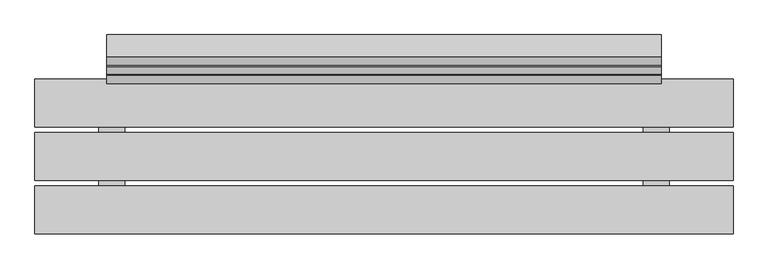
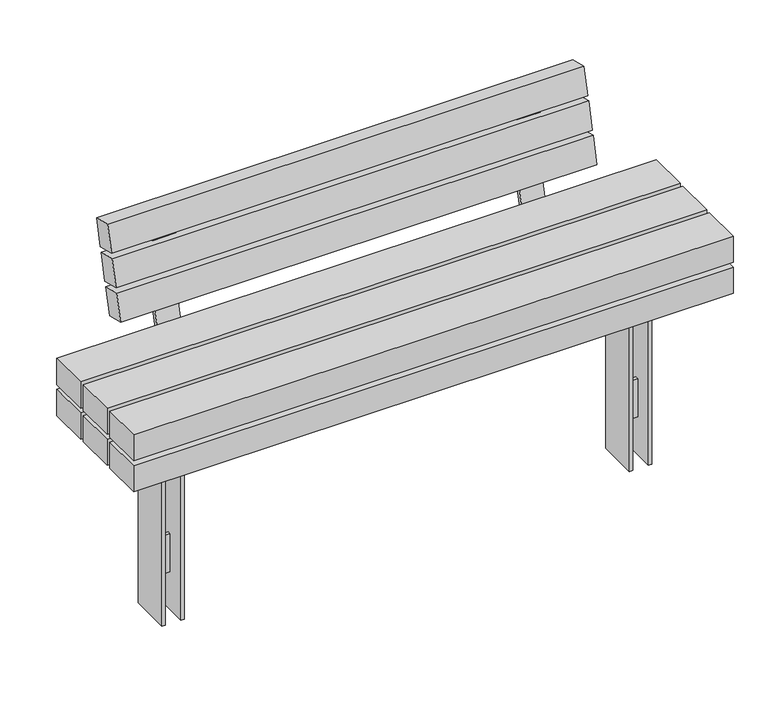
"""IFC4 building model written with IfcOpenShell, lengths in millimetres: furniture geometry."""

from ifc_helpers import new_model, si_unit, point, frame, frame_2d, origin, place, context, project, spatial, polyline, circle_curve, trimmed, segment, composite_curve, outline, extrude, faceted_brep, source, transform, mapped, element, save


def furniture_c60a7f9e(model_context):
    return source(origin(), model_context, "Body", "SolidModel", [
        faceted_brep([(-678.5975006, -5.0, -60.0), (-725.6380966, -5.0, -60.0), (-725.6380966, -5.0, -180.0), (-678.5975006, -5.0, -180.0), (-678.5975006, 5.0, -180.0), (-725.6380966, 5.0, -180.0), (-725.6380966, 5.0, -60.0), (-678.5975006, 5.0, -60.0), (-785.6380966, -61.5083224, 258.7167987), (-735.6380966, -61.5083224, 258.7167987), (-735.6380966, -61.5083224, -300.0), (-725.6380966, -61.5083224, -300.0), (-725.6380966, -61.5083224, 268.7167987), (-785.6380966, -61.5083224, 268.7167987), (-618.5975006, -61.5083224, 258.7167987), (-618.5975006, -61.5083224, 268.7167987), (-678.5975006, -61.5083224, 268.7167987), (-678.5975006, -61.5083224, -300.0), (-668.5975006, -61.5083224, -300.0), (-668.5975006, -61.5083224, 258.7167987), (-618.5975006, 61.5083654, 258.7167987), (-668.5975006, 61.5083654, 258.7167987), (-668.5975006, 61.5083654, -300.0), (-678.5975006, 61.5083654, -300.0), (-678.5975006, 61.5083654, 268.7167987), (-618.5975006, 61.5083654, 268.7167987), (-785.6380966, 61.5083654, 258.7167987), (-785.6380966, 61.5083654, 268.7167987), (-725.6380966, 61.5083654, 268.7167987), (-725.6380966, 61.5083654, -300.0), (-735.6380966, 61.5083654, -300.0), (-735.6380966, 61.5083654, 258.7167987)], [[[0, 1, 2, 3]], [[4, 5, 6, 7]], [[1, 0, 7, 6]], [[3, 2, 5, 4]], [[8, 9, 10, 11, 12, 13]], [[14, 15, 16, 17, 18, 19]], [[20, 21, 22, 23, 24, 25]], [[26, 27, 28, 29, 30, 31]], [[9, 8, 26, 31]], [[10, 9, 31, 30]], [[19, 18, 22, 21]], [[14, 19, 21, 20]], [[15, 14, 20, 25]], [[16, 15, 25, 24]], [[17, 16, 24, 23], [0, 3, 4, 7]], [[12, 11, 29, 28], [2, 1, 6, 5]], [[13, 12, 28, 27]], [[8, 13, 27, 26]], [[11, 10, 30, 29]], [[18, 17, 23, 22]]]),
        faceted_brep([(725.6380966, -5.0, -60.0), (678.5975006, -5.0, -60.0), (678.5975006, -5.0, -180.0), (725.6380966, -5.0, -180.0), (725.6380966, 5.0, -180.0), (678.5975006, 5.0, -180.0), (678.5975006, 5.0, -60.0), (725.6380966, 5.0, -60.0), (785.6380966, -61.5083224, 258.7167987), (785.6380966, -61.5083224, 268.7167987), (725.6380966, -61.5083224, 268.7167987), (725.6380966, -61.5083224, -300.0), (735.6380966, -61.5083224, -300.0), (735.6380966, -61.5083224, 258.7167987), (618.5975006, -61.5083224, 258.7167987), (668.5975006, -61.5083224, 258.7167987), (668.5975006, -61.5083224, -300.0), (678.5975006, -61.5083224, -300.0), (678.5975006, -61.5083224, 268.7167987), (618.5975006, -61.5083224, 268.7167987), (785.6380966, 61.5083654, 258.7167987), (735.6380966, 61.5083654, 258.7167987), (735.6380966, 61.5083654, -300.0), (725.6380966, 61.5083654, -300.0), (725.6380966, 61.5083654, 268.7167987), (785.6380966, 61.5083654, 268.7167987), (618.5975006, 61.5083654, 258.7167987), (618.5975006, 61.5083654, 268.7167987), (678.5975006, 61.5083654, 268.7167987), (678.5975006, 61.5083654, -300.0), (668.5975006, 61.5083654, -300.0), (668.5975006, 61.5083654, 258.7167987)], [[[0, 1, 2, 3]], [[4, 5, 6, 7]], [[1, 0, 7, 6]], [[3, 2, 5, 4]], [[8, 9, 10, 11, 12, 13]], [[14, 15, 16, 17, 18, 19]], [[20, 21, 22, 23, 24, 25]], [[26, 27, 28, 29, 30, 31]], [[9, 8, 20, 25]], [[10, 9, 25, 24]], [[11, 10, 24, 23], [0, 3, 4, 7]], [[12, 11, 23, 22]], [[13, 12, 22, 21]], [[8, 13, 21, 20]], [[15, 14, 26, 31]], [[16, 15, 31, 30]], [[17, 16, 30, 29]], [[18, 17, 29, 28], [2, 1, 6, 5]], [[19, 18, 28, 27]], [[14, 19, 27, 26]]]),
        extrude(outline(polyline([(351.8217453, 900.0000373), (351.8217453, -900.0), (268.7167987, -900.0), (268.7167987, 900.0000373), (351.8217453, 900.0000373)]), holes=[polyline([(339.8217453, -888.0), (339.8217453, 888.0), (280.7167987, 888.0), (280.7167987, -888.0), (339.8217453, -888.0)])]), frame((0.0, -61.5000218, 0.0), z_axis=(0.0, 1.0, 0.0), x_axis=(0.0, 0.0, 1.0)), (0.0, 0.0, 1.0), 123.0000435),
        extrude(outline(composite_curve([segment(polyline([(301.7676975, 665.0239384), (227.7235932, 368.0492568)]), True, "CONTINUOUS"), segment(trimmed(circle_curve(frame_2d((206.9533257, 373.2278661)), 21.4061208), [point((227.7235932, 368.0492568))], [point((206.9533257, 351.8217453))], False, "CARTESIAN"), True, "CONTINUOUS"), segment(polyline([(206.9533257, 351.8217453), (76.4999782, 351.8217453), (76.4999782, 366.8258682), (207.2227467, 366.8258682)]), True, "CONTINUOUS"), segment(trimmed(circle_curve(frame_2d((207.2227467, 376.8258682)), 10.0), [point((207.2227467, 366.8258682))], [point((216.925704, 374.4066493))], True, "CARTESIAN"), True, "CONTINUOUS"), segment(polyline([(216.925704, 374.4066493), (290.8352259, 670.8415506), (252.7658072, 680.3333227), (255.6688699, 691.9768714), (290.84209, 683.2072027)]), True, "CONTINUOUS"), segment(trimmed(circle_curve(frame_2d((287.2132616, 668.6527668)), 15.0), [point((290.84209, 683.2072027))], [point((301.7676975, 665.0239384))], False, "CARTESIAN"), True, "CONTINUOUS")], self_intersect=False)), frame((-582.1768452, 0.0, 0.0), z_axis=(1.0, 0.0, 0.0), x_axis=(0.0, 1.0, 0.0)), (0.0, 0.0, 1.0), 70.0),
        extrude(outline(composite_curve([segment(polyline([(301.7676975, 665.0239384), (227.7235932, 368.0492568)]), True, "CONTINUOUS"), segment(trimmed(circle_curve(frame_2d((206.9533257, 373.2278661)), 21.4061208), [point((227.7235932, 368.0492568))], [point((206.9533257, 351.8217453))], False, "CARTESIAN"), True, "CONTINUOUS"), segment(polyline([(206.9533257, 351.8217453), (76.4999782, 351.8217453), (76.4999782, 366.8258682), (207.2227467, 366.8258682)]), True, "CONTINUOUS"), segment(trimmed(circle_curve(frame_2d((207.2227467, 376.8258682)), 10.0), [point((207.2227467, 366.8258682))], [point((216.925704, 374.4066493))], True, "CARTESIAN"), True, "CONTINUOUS"), segment(polyline([(216.925704, 374.4066493), (290.8352259, 670.8415506), (252.7658072, 680.3333227), (255.6688699, 691.9768714), (290.84209, 683.2072027)]), True, "CONTINUOUS"), segment(trimmed(circle_curve(frame_2d((287.2132616, 668.6527668)), 15.0), [point((290.84209, 683.2072027))], [point((301.7676975, 665.0239384))], False, "CARTESIAN"), True, "CONTINUOUS")], self_intersect=False)), frame((512.1769562, 0.0, 0.0), z_axis=(1.0, 0.0, 0.0), x_axis=(0.0, 1.0, 0.0)), (0.0, 0.0, 1.0), 70.0),
        extrude(outline(polyline([(0.0, -60.0), (0.0, 0.0), (1430.0000015, 0.0), (1430.0000015, -60.0), (0.0, -60.0)])), frame((715.0000752, 188.1106519, 506.8497082), z_axis=(0.0, 0.24226794219074058, 0.9702093816216497), x_axis=(-1.0, 0.0, 0.0)), (0.0, 0.0, 1.0), 82.9016978),
        extrude(outline(polyline([(0.0, -60.0), (0.0, 0.0), (1430.0000015, 0.0), (1430.0000015, -60.0), (0.0, -60.0)])), frame((715.0000752, 211.8519257, 601.9262847), z_axis=(0.0, 0.24226794219074002, 0.9702093816216498), x_axis=(-1.0, 0.0, 0.0)), (0.0, 0.0, 1.0), 82.9016978),
        extrude(outline(polyline([(0.0, -60.0), (0.0, 0.0), (1430.0000015, 0.0), (1430.0000015, -60.0), (0.0, -60.0)])), frame((715.0000752, 235.5883657, 696.9835034), z_axis=(0.0, 0.24226794219073886, 0.9702093816216503), x_axis=(-1.0, 0.0, 0.0)), (0.0, 0.0, 1.0), 82.9016978),
        extrude(outline(polyline([(900.0, -76.5174894), (900.0, -199.5174894), (-900.0, -199.5174894), (-900.0, -76.5174894), (900.0, -76.5174894)])), frame((0.0, 0.0, 366.8258682), z_axis=(0.0, 0.0, 1.0), x_axis=(1.0, 0.0, 0.0)), (0.0, 0.0, 1.0), 83.1049466),
        extrude(outline(polyline([(900.0, 61.4888479), (900.0, -61.5111521), (-900.0, -61.5111521), (-900.0, 61.4888479), (900.0, 61.4888479)])), frame((0.0, 0.0, 366.8258682), z_axis=(0.0, 0.0, 1.0), x_axis=(1.0, 0.0, 0.0)), (0.0, 0.0, 1.0), 83.1049466),
        extrude(outline(polyline([(900.0, 199.4999782), (900.0, 76.4999782), (-900.0, 76.4999782), (-900.0, 199.4999782), (900.0, 199.4999782)])), frame((0.0, 0.0, 366.8258682), z_axis=(0.0, 0.0, 1.0), x_axis=(1.0, 0.0, 0.0)), (0.0, 0.0, 1.0), 83.1049466),
        extrude(outline(polyline([(900.0, -76.5174894), (900.0, -199.5174894), (-900.0, -199.5174894), (-900.0, -76.5174894), (900.0, -76.5174894)])), frame((0.0, 0.0, 268.7167987), z_axis=(0.0, 0.0, 1.0), x_axis=(1.0, 0.0, 0.0)), (0.0, 0.0, 1.0), 83.1049466),
        extrude(outline(polyline([(900.0, 199.4999782), (900.0, 76.4999782), (-900.0, 76.4999782), (-900.0, 199.4999782), (900.0, 199.4999782)])), frame((0.0, 0.0, 268.7167987), z_axis=(0.0, 0.0, 1.0), x_axis=(1.0, 0.0, 0.0)), (0.0, 0.0, 1.0), 83.1049466),
        extrude(outline(polyline([(735.4649994, -171.2111197), (668.4244034, -171.2111197), (668.4244034, 168.7288553), (735.4649994, 168.7288553), (735.4649994, -171.2111197)])), frame((0.0, 0.0, 351.8217453), z_axis=(0.0, 0.0, 1.0), x_axis=(1.0, 0.0, 0.0)), (0.0, 0.0, 1.0), 15.004123),
        extrude(outline(polyline([(-668.5975006, -171.2111197), (-735.6380966, -171.2111197), (-735.6380966, 168.7288553), (-668.5975006, 168.7288553), (-668.5975006, -171.2111197)])), frame((0.0, 0.0, 351.8217453), z_axis=(0.0, 0.0, 1.0), x_axis=(1.0, 0.0, 0.0)), (0.0, 0.0, 1.0), 15.004123),
    ])


if __name__ == "__main__":
    model = new_model("IFC4")
    model_context = context("Model", 3, world=origin())
    ifc_project = project(units=[si_unit("LENGTHUNIT", "METRE", prefix="MILLI")], contexts=[model_context])
    site = spatial("IfcSite", under=ifc_project)
    building = spatial("IfcBuilding", under=site)
    placement = place(None, origin())
    furniture_shape = furniture_c60a7f9e(model_context)
    element("IfcFurniture", 1, at=placement, inside=building, context=model_context, shape_type="MappedRepresentation", body=[
        mapped(furniture_shape, transform((0.0, 0.0, 0.0), x_axis=(1.0, 0.0, 0.0), y_axis=(0.0, 1.0, 0.0), z_axis=(0.0, 0.0, 1.0))),
    ])
    save(model, "model.ifc")
